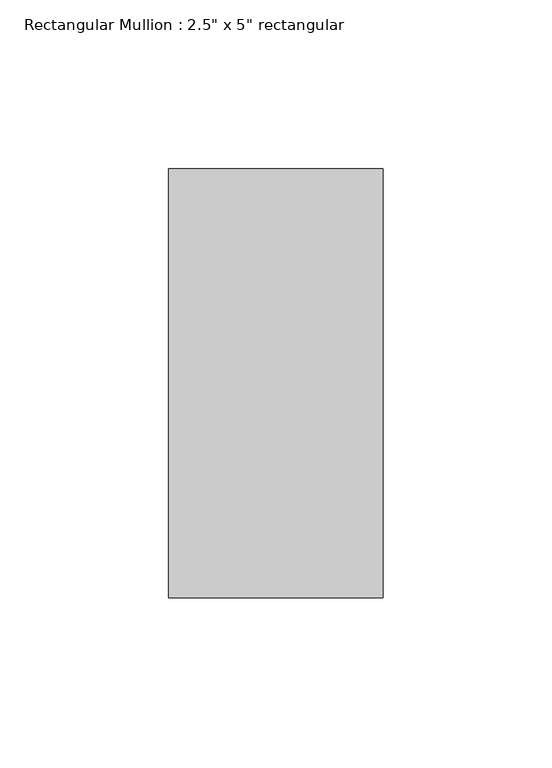
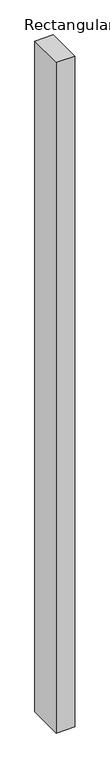
"""IFC4 building model written with IfcOpenShell, lengths in millimetres: member geometry."""

import ifcopenshell
import ifcopenshell.guid

model = None  # the IFC model being written
_history = None  # IfcOwnerHistory: only IFC2X3 demands one
_inside = {}  # id of a spatial element -> (the spatial element, [elements in it])
_under = {}  # id of a project, library or spatial element -> (it, [spatial elements below it])
_declared = {}  # id of a project -> (the project, [libraries it declares])
_typed = {}  # id of a type object -> (the type object, [elements of that type])
_made_of = {}  # id of a material, layer set ... -> (it, [elements and type objects made of it])


def new_model(schema):
    """Start an empty IFC model of exactly this schema.

    Asked for "IFC4X3", IfcOpenShell would pick the latest addendum, in which some entities
    have other attributes; the version numbers below select the first issue.
    IFC2X3 requires an IfcOwnerHistory on every rooted entity: one is made here for all.
    """
    global model, _history
    if schema == "IFC4X3":
        model = ifcopenshell.file(schema_version=(4, 3, 0, 0))
    else:
        model = ifcopenshell.file(schema=schema)
    _inside.clear()
    _under.clear()
    _declared.clear()
    _typed.clear()
    _made_of.clear()
    _history = None
    if model.schema == "IFC2X3":
        org = make("IfcOrganization", Name="unknown")
        user = make(
            "IfcPersonAndOrganization",
            ThePerson=make("IfcPerson", FamilyName="unknown"),
            TheOrganization=org,
        )
        app = make(
            "IfcApplication",
            ApplicationDeveloper=org,
            Version="unknown",
            ApplicationFullName="unknown",
            ApplicationIdentifier="unknown",
        )
        _history = make(
            "IfcOwnerHistory",
            OwningUser=user,
            OwningApplication=app,
            ChangeAction="ADDED",
            CreationDate=0,
        )
    return model


def make(cls, **values):
    """One entity of the class cls with the attributes given. An attribute that is None is left unset."""
    return model.create_entity(
        cls, **{name: value for name, value in values.items() if value is not None}
    )


def rooted(cls, **values):
    """An entity with a GlobalId (a new one), such as an element, a storey or a relation."""
    return make(cls, GlobalId=ifcopenshell.guid.new(), OwnerHistory=_history, **values)


def si_unit(unit_type, name, prefix=None):
    """IfcSIUnit, for example si_unit("LENGTHUNIT", "METRE", prefix="MILLI")."""
    return make("IfcSIUnit", UnitType=unit_type, Prefix=prefix, Name=name)


def assignment(units):
    """IfcUnitAssignment: the units of a project."""
    return None if units is None else make("IfcUnitAssignment", Units=units)


def point(xyz):
    """IfcCartesianPoint."""
    return None if xyz is None else make("IfcCartesianPoint", Coordinates=xyz)


def direction(xyz):
    """IfcDirection."""
    return None if xyz is None else make("IfcDirection", DirectionRatios=xyz)


def frame(location, z_axis=None, x_axis=None):
    """IfcAxis2Placement3D, a coordinate frame: its origin and axes. An axis left out is left unset."""
    return make(
        "IfcAxis2Placement3D",
        Location=point(location),
        Axis=direction(z_axis),
        RefDirection=direction(x_axis),
    )


def origin():
    """The frame at (0, 0, 0) with its axes left unset."""
    return frame((0.0, 0.0, 0.0))


def place(relative_to, where):
    """IfcLocalPlacement: puts the frame where relative to a parent placement (None: the world)."""
    return make(
        "IfcLocalPlacement", PlacementRelTo=relative_to, RelativePlacement=where
    )


def context(
    kind, dimensions, precision=None, world=None, true_north=None, identifier=None
):
    """IfcGeometricRepresentationContext, for example the 3D "Model" context."""
    return make(
        "IfcGeometricRepresentationContext",
        ContextIdentifier=identifier,
        ContextType=kind,
        CoordinateSpaceDimension=dimensions,
        Precision=precision,
        WorldCoordinateSystem=world,
        TrueNorth=true_north,
    )


def project(units=None, contexts=None):
    """IfcProject with its units and contexts."""
    return rooted(
        "IfcProject",
        Name="project",
        RepresentationContexts=contexts,
        UnitsInContext=assignment(units),
    )


def spatial(cls, under=None, at=None, **own):
    """A site, building, storey or space (cls), placed at a placement, below another one or the project."""
    s = rooted(cls, ObjectPlacement=at, **own)
    if under is not None:
        _under.setdefault(under.id(), (under, []))[1].append(s)
    return s


def polyline(points):
    """IfcPolyline through the points."""
    return make("IfcPolyline", Points=[point(p) for p in points])


def outline(outer, holes=None, kind="AREA"):
    """IfcArbitraryClosedProfileDef: a profile drawn as a closed curve; with holes, ...WithVoids."""
    if holes is None:
        return make("IfcArbitraryClosedProfileDef", ProfileType=kind, OuterCurve=outer)
    return make(
        "IfcArbitraryProfileDefWithVoids",
        ProfileType=kind,
        OuterCurve=outer,
        InnerCurves=holes,
    )


def extrude(swept, where, along, depth):
    """IfcExtrudedAreaSolid: the profile swept, set in the frame where, extruded along a direction by depth."""
    return make(
        "IfcExtrudedAreaSolid",
        SweptArea=swept,
        Position=where,
        ExtrudedDirection=direction(along),
        Depth=depth,
    )


def shape(context_of_items, identifier, shape_type, items):
    """IfcShapeRepresentation: the items that make up one representation, for example the "Body"."""
    return make(
        "IfcShapeRepresentation",
        ContextOfItems=context_of_items,
        RepresentationIdentifier=identifier,
        RepresentationType=shape_type,
        Items=items,
    )


def source(mapping_origin, context_of_items, identifier, shape_type, items):
    """IfcRepresentationMap: a shape defined once, which mapped items show again and again."""
    return make(
        "IfcRepresentationMap",
        MappingOrigin=mapping_origin,
        MappedRepresentation=shape(context_of_items, identifier, shape_type, items),
    )


def transform(
    local_origin,
    x_axis=None,
    y_axis=None,
    z_axis=None,
    scale=None,
    scale2=None,
    scale3=None,
    uniform=True,
):
    """IfcCartesianTransformationOperator3D, or its non-uniform kind. x_axis, y_axis, z_axis: its Axis1, 2, 3."""
    if uniform:
        return make(
            "IfcCartesianTransformationOperator3D",
            Axis1=direction(x_axis),
            Axis2=direction(y_axis),
            LocalOrigin=point(local_origin),
            Scale=scale,
            Axis3=direction(z_axis),
        )
    return make(
        "IfcCartesianTransformationOperator3DnonUniform",
        Axis1=direction(x_axis),
        Axis2=direction(y_axis),
        LocalOrigin=point(local_origin),
        Scale=scale,
        Axis3=direction(z_axis),
        Scale2=scale2,
        Scale3=scale3,
    )


def mapped(mapping_source, mapping_target):
    """IfcMappedItem: shows the shape of a source again, moved by a transform."""
    return make(
        "IfcMappedItem", MappingSource=mapping_source, MappingTarget=mapping_target
    )


def made_of(thing, what):
    """Note that an element or type object is made of a material, layer set ...; save() writes the relation."""
    if what is not None:
        _made_of.setdefault(what.id(), (what, []))[1].append(thing)
    return thing


def element(
    cls,
    number,
    at=None,
    inside=None,
    cuts=None,
    type_object=None,
    material=None,
    context=None,
    identifier="Body",
    shape_type=None,
    held_by="IfcProductDefinitionShape",
    body=None,
    shapes=None,
    **own,
):
    """One element of the class cls, such as IfcWall. Its Tag is "e" and its number.

    at: its placement. inside: the storey or other place that contains it. cuts: it is an
    opening in that element (IfcRelVoidsElement). A single representation is given by context,
    identifier, shape_type and body (its items); several are given by shapes. held_by: the class
    of the entity that holds the representations. save() writes the other relations.
    """
    e = rooted(cls, Tag="e%d" % number, ObjectPlacement=at, **own)
    if body is not None:
        shapes = [shape(context, identifier, shape_type, body)]
    if shapes is not None:
        e.Representation = make(held_by, Representations=shapes)
    if inside is not None:
        _inside.setdefault(inside.id(), (inside, []))[1].append(e)
    if cuts is not None:
        rooted(
            "IfcRelVoidsElement", RelatingBuildingElement=cuts, RelatedOpeningElement=e
        )
    if type_object is not None:
        _typed.setdefault(type_object.id(), (type_object, []))[1].append(e)
    return made_of(e, material)


def aggregate(whole, parts):
    """IfcRelAggregates: a whole, such as a stair, and the parts it consists of."""
    return rooted("IfcRelAggregates", RelatingObject=whole, RelatedObjects=parts)


def save(model, path):
    """Write the relations noted so far, then the file.

    IfcRelAggregates (storeys below a building ...), IfcRelContainedInSpatialStructure (elements
    in a storey), IfcRelDefinesByType, IfcRelAssociatesMaterial and IfcRelDeclares: one each for
    every whole, place, type object, material and project.
    """
    for whole, parts in _under.values():
        aggregate(whole, parts)
    for where, things in _inside.values():
        rooted(
            "IfcRelContainedInSpatialStructure",
            RelatedElements=things,
            RelatingStructure=where,
        )
    for kind, things in _typed.values():
        rooted("IfcRelDefinesByType", RelatedObjects=things, RelatingType=kind)
    for what, things in _made_of.values():
        rooted("IfcRelAssociatesMaterial", RelatedObjects=things, RelatingMaterial=what)
    for by, libraries in _declared.values():
        rooted("IfcRelDeclares", RelatingContext=by, RelatedDefinitions=libraries)
    model.write(path)


def member_028c0d00(model_context):
    return source(origin(), model_context, "Body", "SweptSolid", [
        extrude(outline(polyline([(31.75, 63.5), (31.75, -63.5), (-31.75, -63.5), (-31.75, 63.5), (31.75, 63.5)])), frame((0.0, 0.0, -2445.4655284), z_axis=(0.0, 0.0, 1.0), x_axis=(1.0, 0.0, 0.0)), (0.0, 0.0, 1.0), 2445.4655284),
    ])


if __name__ == "__main__":
    model = new_model("IFC4")
    model_context = context("Model", 3, world=origin())
    ifc_project = project(units=[si_unit("LENGTHUNIT", "METRE", prefix="MILLI")], contexts=[model_context])
    site = spatial("IfcSite", under=ifc_project)
    building = spatial("IfcBuilding", under=site)
    placement = place(None, origin())
    member_shape = member_028c0d00(model_context)
    element("IfcMember", 1, ObjectType="Rectangular Mullion : 2.5\" x 5\" rectangular", at=placement, inside=building, context=model_context, shape_type="MappedRepresentation", body=[
        mapped(member_shape, transform((0.0, 0.0, 0.0), x_axis=(1.0, 0.0, 0.0), y_axis=(0.0, 1.0, 0.0), z_axis=(0.0, 0.0, 1.0))),
    ])
    save(model, "model.ifc")
